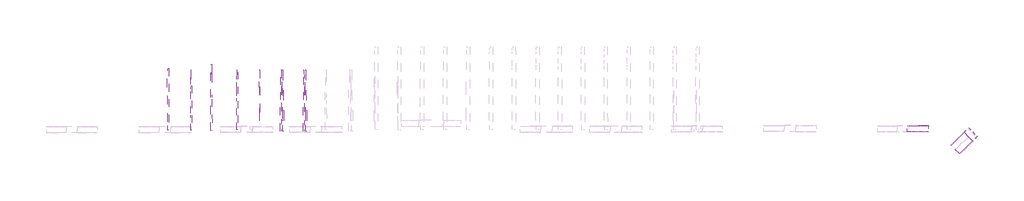
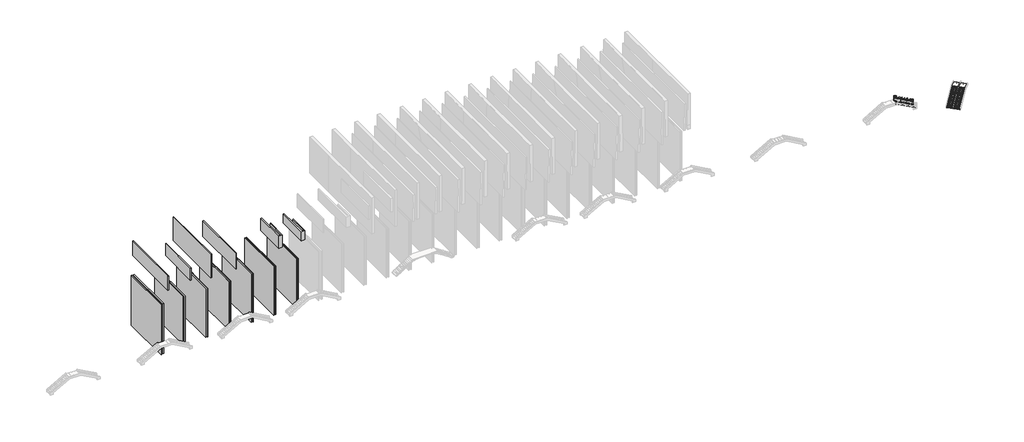
# One storey, part 7 of 9: 7 proxies, 2 stair flights, 1 railing, 1 slab.
"""IFC4 building model written with IfcOpenShell, lengths in millimetres."""

from ifc_helpers import new_model, si_unit, frame, origin, place, context, project, spatial, polyline, circle_curve, ellipse_curve, outline, extrude, faceted_brep, element, save
from ifc_brep_helpers import plane_surface, cylinder_surface, advanced_brep

model = new_model("IFC4")

# Units and contexts
model_context = context("Model", 3, world=origin())
ifc_project = project(units=[si_unit("LENGTHUNIT", "METRE", prefix="MILLI")], contexts=[model_context])

# Site, building, storey
site = spatial("IfcSite", under=ifc_project)
building = spatial("IfcBuilding", under=site)
storey = spatial("IfcBuildingStorey", under=building, Elevation=-6062.0)

# Proxies
placement = place(None, origin())
element("IfcBuildingElementProxy", 1, Name="Massa 1 : Massa 1", ObjectType="Massa 1 : Massa 1", at=placement, inside=storey, context=model_context, shape_type="SolidModel", body=[
    faceted_brep([(-49910.8581548, 102811.8579309, -3119.1914409), (-49947.0212427, 113336.8433855, -3119.1914409), (-49947.0212427, 113336.8433855, 6240.1925419), (-49947.0212427, 113336.8433855, 7747.0), (-49910.8581548, 102811.8579309, 7747.0), (-50001.1918795, 113336.6572591, -3119.1914409), (-50001.1918795, 113336.6572591, 4540.4134367), (-50001.1918795, 113336.6572591, 6240.1925419), (-50001.1918795, 113336.6572591, 7747.0), (-49984.0342196, 108343.0537889, -3119.1914409), (-49982.9166281, 108017.7874781, -3119.1914409), (-49966.1543509, 103139.2570534, -3119.1914409), (-49965.0287917, 102811.6718045, -3119.1914409), (-49965.0287917, 102811.6718045, -51.7165836), (-49965.0287917, 102811.6718045, 7747.0)], [[[0, 1, 2, 3, 4]], [[1, 5, 6, 7, 8, 3, 2]], [[5, 9, 10, 11, 12, 13, 14, 8, 7, 6]], [[12, 0, 4, 14, 13]], [[4, 3, 8, 14]], [[0, 12, 11, 10, 9, 5, 1]]]),
    faceted_brep([(-50310.8557937, 102810.483568, -3119.1914409), (-50260.9695749, 102810.6549734, -3119.1914409), (-50260.9695749, 102810.6549734, -51.7165836), (-50260.9695749, 102810.6549734, 7747.0), (-50310.8557937, 102810.483568, 7747.0), (-50262.0951341, 103138.2402222, -3119.1914409), (-50278.8574113, 108016.770647, -3119.1914409), (-50279.9750028, 108342.0369578, -3119.1914409), (-50297.1326627, 113335.640428, -3119.1914409), (-50297.1326627, 113335.640428, 4540.4134367), (-50297.1326627, 113335.640428, 6240.1925419), (-50297.1326627, 113335.640428, 7747.0), (-50347.0188816, 113335.4690226, -3119.1914409), (-50347.0188816, 113335.4690226, 6240.1925419), (-50347.0188816, 113335.4690226, 7747.0)], [[[0, 1, 2, 3, 4]], [[1, 5, 6, 7, 8, 9, 10, 11, 3, 2]], [[8, 12, 13, 14, 11, 10, 9]], [[12, 0, 4, 14, 13]], [[3, 11, 14, 4]], [[0, 12, 8, 7, 6, 5, 1]]]),
    extrude(outline(polyline([(-49930.1899249, 110029.856335), (-49764.9872475, 110029.856335), (-49764.9872475, 100842.298729), (-49982.1697078, 100842.298729), (-49930.1899249, 110029.856335)])), frame((0.0, 0.0, 12419.6729065), z_axis=(0.0, 0.0, 1.0), x_axis=(1.0, 0.0, 0.0)), (0.0, 0.0, 1.0), 2630.2067674),
])
element("IfcBuildingElementProxy", 2, Name="Massa 2 : Massa 1", ObjectType="Massa 2 : Massa 1", at=placement, inside=storey, context=model_context, shape_type="SolidModel", body=[
    faceted_brep([(-45156.5066396, 102829.7368446, -3119.1914409), (-45140.4907045, 113339.7722228, -3119.1914409), (-45140.4907045, 113339.7722228, 7747.0), (-45156.5066396, 102829.7368446, 7747.0), (-45284.6795824, 113339.991948, -3119.1914409), (-45284.6795824, 113339.991948, 4513.7566762), (-45284.6795824, 113339.991948, 6240.1925419), (-45284.6795824, 113339.991948, 7747.0), (-45292.2663665, 108361.3647823, -3119.1914409), (-45292.7620327, 108036.0969292, -3119.1914409), (-45300.1963176, 103157.543372, -3119.1914409), (-45300.6955175, 102829.9565698, -3119.1914409), (-45300.6955175, 102829.9565698, -51.7165836), (-45300.6955175, 102829.9565698, 7747.0)], [[[0, 1, 2, 3]], [[1, 4, 5, 6, 7, 2]], [[4, 8, 9, 10, 11, 12, 13, 7, 6, 5]], [[11, 0, 3, 13, 12]], [[3, 2, 7, 13]], [[0, 11, 10, 9, 8, 4, 1]]]),
    faceted_brep([(-45646.5241593, 102830.483568, -3119.1914409), (-45596.6377039, 102830.4075475, -3119.1914409), (-45596.6377039, 102830.4075475, -51.7165836), (-45596.6377039, 102830.4075475, 7747.0), (-45646.5241593, 102830.483568, 7747.0), (-45596.138504, 103157.9943496, -3119.1914409), (-45588.7042191, 108036.5479068, -3119.1914409), (-45588.208553, 108361.81576, -3119.1914409), (-45580.6217689, 113340.4429256, -3119.1914409), (-45580.6217689, 113340.4429256, 4513.7566762), (-45580.6217689, 113340.4429256, 6240.1925419), (-45580.6217689, 113340.4429256, 7747.0), (-45630.5082243, 113340.5189461, -3119.1914409), (-45630.5082243, 113340.5189461, 6240.1925419), (-45630.5082243, 113340.5189461, 7747.0)], [[[0, 1, 2, 3, 4]], [[1, 5, 6, 7, 8, 9, 10, 11, 3, 2]], [[8, 12, 13, 14, 11, 10, 9]], [[12, 0, 4, 14, 13]], [[3, 11, 14, 4]], [[0, 12, 8, 7, 6, 5, 1]]]),
    extrude(outline(polyline([(-45647.9931644, 114482.0164165), (-45537.2234301, 100767.4409965), (-45760.2308622, 100767.4409965), (-45760.2308622, 114482.0164165), (-45647.9931644, 114482.0164165)])), frame((0.0, 0.0, 11518.1054342), z_axis=(0.0, 0.0, 1.0), x_axis=(1.0, 0.0, 0.0)), (0.0, 0.0, 1.0), 5243.3971812),
])
element("IfcBuildingElementProxy", 3, Name="Massa 3 : Massa 1", ObjectType="Massa 3 : Massa 1", at=placement, inside=storey, context=model_context, shape_type="SolidModel", body=[
    faceted_brep([(-40353.6656723, 102832.4701768, -3119.1914409), (-40405.8640548, 113342.388135, -3119.1914409), (-40405.8640548, 113342.388135, 6240.1925419), (-40405.8640548, 113342.388135, 7747.0), (-40353.6656723, 102832.4701768, 7747.0), (-40460.0343433, 113342.1190938, -3119.1914409), (-40460.0343433, 113342.1190938, 4513.7566762), (-40460.0343433, 113342.1190938, 6240.1925419), (-40460.0343433, 113342.1190938, 7747.0), (-40435.3078533, 108363.5475502, -3119.1914409), (-40433.6924015, 108038.283331, -3119.1914409), (-40409.4629298, 103159.7842778, -3119.1914409), (-40407.8359609, 102832.2011355, -3119.1914409), (-40407.8359609, 102832.2011355, -51.7165836), (-40407.8359609, 102832.2011355, 7747.0)], [[[0, 1, 2, 3, 4]], [[1, 5, 6, 7, 8, 3, 2]], [[5, 9, 10, 11, 12, 13, 14, 8, 7, 6]], [[12, 0, 4, 14, 13]], [[4, 3, 8, 14]], [[0, 12, 11, 10, 9, 5, 1]]]),
    faceted_brep([(-40753.660739, 102830.483568, -3119.1914409), (-40703.774841, 102830.7313304, -3119.1914409), (-40703.774841, 102830.7313304, -51.7165836), (-40703.774841, 102830.7313304, 7747.0), (-40753.660739, 102830.483568, 7747.0), (-40705.4018099, 103158.3144727, -3119.1914409), (-40729.6312816, 108036.8135259, -3119.1914409), (-40731.2467334, 108362.0777451, -3119.1914409), (-40755.9732235, 113340.6492887, -3119.1914409), (-40755.9732235, 113340.6492887, 4513.7566762), (-40755.9732235, 113340.6492887, 6240.1925419), (-40755.9732235, 113340.6492887, 7747.0), (-40805.8591215, 113340.4015262, -3119.1914409), (-40805.8591215, 113340.4015262, 6240.1925419), (-40805.8591215, 113340.4015262, 7747.0)], [[[0, 1, 2, 3, 4]], [[1, 5, 6, 7, 8, 9, 10, 11, 3, 2]], [[8, 12, 13, 14, 11, 10, 9]], [[12, 0, 4, 14, 13]], [[3, 11, 14, 4]], [[0, 12, 8, 7, 6, 5, 1]]]),
    extrude(outline(polyline([(-40393.1167895, 112886.0222739), (-40226.9371794, 112886.0222739), (-40226.9371794, 100894.4198622), (-40420.3450647, 100894.4198622), (-40393.1167895, 112886.0222739)])), frame((0.0, 0.0, 11518.1054342), z_axis=(0.0, 0.0, 1.0), x_axis=(1.0, 0.0, 0.0)), (0.0, 0.0, 1.0), 3531.7742398),
])
element("IfcBuildingElementProxy", 4, Name="Massa 36 : Massa 1", ObjectType="Massa 36 : Massa 1", at=placement, inside=storey, context=model_context, shape_type="SolidModel", body=[
    faceted_brep([(-54611.534448, 102610.1396535, -3360.9961628), (-54648.3227866, 113317.0994783, -3360.9961628), (-54648.3227866, 113317.0994783, 7747.0), (-54611.534448, 102610.1396535, 7747.0), (-54805.7644678, 113316.55852, -3360.9961628), (-54805.7644678, 113316.55852, 4512.4184368), (-54805.7644678, 113316.55852, 6240.1925419), (-54805.7644678, 113316.55852, 7747.0), (-54768.9761292, 102609.5986953, -3360.9961628), (-54768.9761292, 102609.5986953, 7747.0)], [[[0, 1, 2, 3]], [[1, 4, 5, 6, 7, 2]], [[4, 8, 9, 7, 6, 5]], [[8, 0, 3, 9]], [[3, 2, 7, 9]], [[0, 8, 4, 1]]]),
    faceted_brep([(-55199.3613567, 102524.0473785, -3399.7582557), (-55064.6280486, 102524.5103124, -3399.7582557), (-55064.6280486, 102524.5103124, 7747.0), (-55199.3613567, 102524.0473785, 7747.0), (-55101.7050196, 113315.4743365, -3399.7582557), (-55101.7050196, 113315.4743365, 4512.4184368), (-55101.7050196, 113315.4743365, 6240.1925419), (-55101.7050196, 113315.4743365, 7747.0), (-55236.4383277, 113315.0114026, -3399.7582557), (-55236.4383277, 113315.0114026, 7747.0)], [[[0, 1, 2, 3]], [[1, 4, 5, 6, 7, 2]], [[4, 8, 9, 7, 6, 5]], [[8, 0, 3, 9]], [[2, 7, 9, 3]], [[0, 8, 4, 1]]]),
    extrude(outline(polyline([(-54712.4718093, 113670.0671316), (-54567.2688118, 113670.1802824), (-54569.6288936, 100842.298729), (-54766.811674, 100842.1855783), (-54712.4718093, 113670.0671316)])), frame((0.0, 0.0, 11855.2963019), z_axis=(0.0, 0.0, 1.0), x_axis=(1.0, 0.0, 0.0)), (0.0, 0.0, 1.0), 3194.583372),
])
element("IfcBuildingElementProxy", 5, Name="Massa 4 : Massa 1", ObjectType="Massa 4 : Massa 1", at=placement, inside=storey, context=model_context, shape_type="Brep", body=[
    faceted_brep([(-35611.3930585, 102833.3646361, -3119.1914409), (-35655.4732315, 113343.3197787, -3119.1914409), (-35655.4732315, 113343.3197787, 6240.1925419), (-35655.4732315, 113343.3197787, 7747.0), (-35611.3930585, 102833.3646361, 7747.0), (-35709.6437117, 113343.0925804, -3119.1914409), (-35709.6437117, 113343.0925804, 4533.7566762), (-35709.6437117, 113343.0925804, 6240.1925419), (-35709.6437117, 113343.0925804, 7747.0), (-35688.7628356, 108364.5034225, -3119.1914409), (-35687.4615401, 108054.2379206, -3119.1914409), (-35666.9374715, 103160.7217391, -3119.1914409), (-35665.5635387, 102833.1374378, -3119.1914409), (-35665.5635387, 102833.1374378, -51.7165836), (-35665.5635387, 102833.1374378, 7747.0)], [[[0, 1, 2, 3, 4]], [[1, 5, 6, 7, 8, 3, 2]], [[5, 9, 10, 11, 12, 13, 14, 8, 7, 6]], [[12, 0, 4, 14, 13]], [[4, 3, 8, 14]], [[0, 12, 11, 10, 9, 5, 1]]]),
    faceted_brep([(-36011.3895404, 102831.6869968, -3119.1914409), (-35961.5034658, 102831.8962257, -3119.1914409), (-35961.5034658, 102831.8962257, -51.7165836), (-35961.5034658, 102831.8962257, 7747.0), (-36011.3895404, 102831.6869968, 7747.0), (-35962.8773987, 103159.480527, -3119.1914409), (-35983.4014673, 108052.9967085, -3119.1914409), (-35984.7027628, 108363.2622104, -3119.1914409), (-36005.5836389, 113341.8513683, -3119.1914409), (-36005.5836389, 113341.8513683, 4533.7566762), (-36005.5836389, 113341.8513683, 6240.1925419), (-36005.5836389, 113341.8513683, 7747.0), (-36055.4697134, 113341.6421393, -3119.1914409), (-36055.4697134, 113341.6421393, 6240.1925419), (-36055.4697134, 113341.6421393, 7747.0)], [[[0, 1, 2, 3, 4]], [[1, 5, 6, 7, 8, 9, 10, 11, 3, 2]], [[8, 12, 13, 14, 11, 10, 9]], [[12, 0, 4, 14, 13]], [[3, 11, 14, 4]], [[0, 12, 8, 7, 6, 5, 1]]]),
])
element("IfcBuildingElementProxy", 6, Name="Massa 5 : Massa 1", ObjectType="Massa 5 : Massa 1", at=placement, inside=storey, context=model_context, shape_type="SolidModel", body=[
    faceted_brep([(-30793.3347559, 102817.9985369, -3119.1914409), (-30828.4523827, 113348.3424649, -3119.1914409), (-30828.4523827, 113348.3424649, 7747.0), (-30793.3347559, 102817.9985369, 7747.0), (-30930.7271669, 113348.0013889, -3119.1914409), (-30930.7271669, 113348.0013889, 4533.7566762), (-30930.7271669, 113348.0013889, 6240.1925419), (-30930.7271669, 113348.0013889, 7747.0), (-30914.1240244, 108369.3961274, -3119.1914409), (-30913.0893171, 108059.129622, -3119.1914409), (-30896.7698852, 103165.597612, -3119.1914409), (-30895.6774213, 102838.0122511, -3119.1914409), (-30895.6095401, 102817.6574609, -3119.1914409), (-30895.6095401, 102817.6574609, 7747.0)], [[[0, 1, 2, 3]], [[1, 4, 5, 6, 7, 2]], [[4, 8, 9, 10, 11, 12, 13, 7, 6, 5]], [[12, 0, 3, 13]], [[3, 2, 7, 13]], [[0, 12, 11, 10, 9, 8, 4, 1]]]),
    faceted_brep([(-31293.2371873, 102809.143304, -3119.1914409), (-31191.5264532, 102809.482499, -3119.1914409), (-31191.5264532, 102809.482499, 7747.0), (-31293.2371873, 102809.143304, 7747.0), (-31191.6183057, 102837.0253184, -3119.1914409), (-31192.7107696, 103164.6106793, -3119.1914409), (-31209.0302015, 108058.1426892, -3119.1914409), (-31210.0649088, 108368.4091947, -3119.1914409), (-31226.6680513, 113347.0144561, -3119.1914409), (-31226.6680513, 113347.0144561, 4533.7566762), (-31226.6680513, 113347.0144561, 6240.1925419), (-31226.6680513, 113347.0144561, 7747.0), (-31328.3787855, 113346.6752612, -3119.1914409), (-31328.3787855, 113346.6752612, 7747.0)], [[[0, 1, 2, 3]], [[1, 4, 5, 6, 7, 8, 9, 10, 11, 2]], [[8, 12, 13, 11, 10, 9]], [[12, 0, 3, 13]], [[2, 11, 13, 3]], [[0, 12, 8, 7, 6, 5, 4, 1]]]),
    extrude(outline(polyline([(-30873.2851083, 100948.7059945), (-30800.4996061, 104925.4411601), (-30677.038729, 104925.4411601), (-30677.038729, 100654.5352994), (-31429.4173941, 100654.5352994), (-31429.4173941, 107185.332342), (-31283.7637002, 107185.332342), (-31144.7306287, 100948.7059945), (-30873.2851083, 100948.7059945)])), frame((0.0, 0.0, 13187.9550019), z_axis=(0.0, 0.0, 1.0), x_axis=(1.0, 0.0, 0.0)), (0.0, 0.0, 1.0), 2742.8095085),
])
element("IfcBuildingElementProxy", 7, Name="Massa 6 : Massa 1", ObjectType="Massa 6 : Massa 1", at=placement, inside=storey, context=model_context, shape_type="SolidModel", body=[
    faceted_brep([(-26025.3656828, 102827.9985369, -3119.1914409), (-26060.4833096, 113358.3424649, -3119.1914409), (-26060.4833096, 113358.3424649, 7747.0), (-26025.3656828, 102827.9985369, 7747.0), (-26162.7580938, 113358.0013889, -3119.1914409), (-26162.7580938, 113358.0013889, 4533.7566762), (-26162.7580938, 113358.0013889, 6240.1925419), (-26162.7580938, 113358.0013889, 7747.0), (-26146.2216488, 108399.3960162, -3119.1914409), (-26145.120244, 108069.129622, -3119.1914409), (-26128.7341145, 103155.5977233, -3119.1914409), (-26127.7083482, 102848.0122511, -3119.1914409), (-26127.640467, 102827.6574609, -3119.1914409), (-26127.640467, 102827.6574609, 7747.0)], [[[0, 1, 2, 3]], [[1, 4, 5, 6, 7, 2]], [[4, 8, 9, 10, 11, 12, 13, 7, 6, 5]], [[12, 0, 3, 13]], [[3, 2, 7, 13]], [[0, 12, 11, 10, 9, 8, 4, 1]]]),
    faceted_brep([(-26525.2681142, 102819.143304, -3119.1914409), (-26423.5573801, 102819.482499, -3119.1914409), (-26423.5573801, 102819.482499, 7747.0), (-26525.2681142, 102819.143304, 7747.0), (-26423.6492326, 102847.0253184, -3119.1914409), (-26424.6749989, 103154.6107905, -3119.1914409), (-26441.0611284, 108068.1426892, -3119.1914409), (-26442.1625333, 108398.4090835, -3119.1914409), (-26458.6989782, 113357.0144562, -3119.1914409), (-26458.6989782, 113357.0144561, 4533.7566762), (-26458.6989782, 113357.0144561, 6240.1925419), (-26458.6989782, 113357.0144561, 7747.0), (-26560.4097123, 113356.6752612, -3119.1914409), (-26560.4097123, 113356.6752612, 7747.0)], [[[0, 1, 2, 3]], [[1, 4, 5, 6, 7, 8, 9, 10, 11, 2]], [[8, 12, 13, 11, 10, 9]], [[12, 0, 3, 13]], [[2, 11, 13, 3]], [[0, 12, 8, 7, 6, 5, 4, 1]]]),
    extrude(outline(polyline([(-26105.3160352, 100958.7059945), (-26032.530533, 104935.4411601), (-25909.0696559, 104935.4411601), (-25909.0696559, 100664.5352994), (-26661.448321, 100664.5352994), (-26661.448321, 107195.332342), (-26498.7238967, 107194.7551094), (-26406.7562468, 100958.2449512), (-26105.3160352, 100958.7059945)])), frame((0.0, 0.0, 13187.9550019), z_axis=(0.0, 0.0, 1.0), x_axis=(1.0, 0.0, 0.0)), (0.0, 0.0, 1.0), 2000.0),
])

# Railing
element("IfcRailing", 8, at=placement, inside=storey, context=model_context, shape_type="AdvancedBrep", body=[
    advanced_brep(
    [(103184.5759405, 101764.0442513, -1291.158695), (103184.5759405, 101724.0442513, -1291.158695), (99022.5747166, 101764.0442513, 966.8465666), (99022.5747166, 101724.0442513, 966.8465666)],
    [
        (0, 1, ellipse_curve(frame((103184.5759405, 101744.0442513, -1291.158695), z_axis=(1.0, 0.0, 0.0), x_axis=(0.0, 0.0, -1.0)), 22.7537903, 20.0)),
        (1, 0, ellipse_curve(frame((103184.5759405, 101744.0442513, -1291.158695), z_axis=(1.0, 0.0, 0.0), x_axis=(0.0, 0.0, -1.0)), 22.7537903, 20.0)),
        (2, 3, ellipse_curve(frame((99022.5747166, 101744.0442513, 966.8465666), z_axis=(-1.0, 0.0, 0.0), x_axis=(0.0, 0.0, -1.0)), 22.7537903, 20.0)),
        (3, 2, ellipse_curve(frame((99022.5747166, 101744.0442513, 966.8465666), z_axis=(-1.0, 0.0, 0.0), x_axis=(0.0, 0.0, -1.0)), 22.7537903, 20.0)),
        (0, 2),
        (3, 1),
    ],
    [
        plane_surface(frame((103184.5759405, 101744.0442513, -1268.4049048), z_axis=(1.0, 0.0, 0.0), x_axis=(0.0, -1.0, 0.0))),
        plane_surface(frame((99022.5747166, 101744.0442513, 989.6003569), z_axis=(-1.0, 0.0, 0.0), x_axis=(0.0, -1.0, 0.0))),
        cylinder_surface(frame((103175.0385627, 101744.0442513, -1285.9843935), z_axis=(0.8789744373912164, 0.0, -0.4768688901708673), x_axis=(0.0, -1.0, 0.0)), 20.0),
    ],
    [
        (0, [[1, 2]]),
        (1, [[3, 4]]),
        (2, [[-1, 5, -4, 6]]),
        (2, [[-2, -6, -3, -5]]),
    ],
),
    advanced_brep(
    [(103184.5759405, 101724.0442513, -1551.158695), (103184.5759405, 101764.0442513, -1551.158695), (99022.5747166, 101724.0442513, 706.8465666), (99022.5747166, 101764.0442513, 706.8465666)],
    [
        (0, 1, ellipse_curve(frame((103184.5759405, 101744.0442513, -1551.158695), z_axis=(1.0, 0.0, 0.0), x_axis=(0.0, 0.0, -1.0)), 22.7537903, 20.0)),
        (1, 0, ellipse_curve(frame((103184.5759405, 101744.0442513, -1551.158695), z_axis=(1.0, 0.0, 0.0), x_axis=(0.0, 0.0, -1.0)), 22.7537903, 20.0)),
        (2, 3, ellipse_curve(frame((99022.5747166, 101744.0442513, 706.8465666), z_axis=(-1.0, 0.0, 0.0), x_axis=(0.0, 0.0, -1.0)), 22.7537903, 20.0)),
        (3, 2, ellipse_curve(frame((99022.5747166, 101744.0442513, 706.8465666), z_axis=(-1.0, 0.0, 0.0), x_axis=(0.0, 0.0, -1.0)), 22.7537903, 20.0)),
        (0, 2),
        (3, 1),
    ],
    [
        plane_surface(frame((103184.5759405, 101744.0442513, -1528.4049048), z_axis=(1.0, 0.0, 0.0), x_axis=(0.0, -1.0, 0.0))),
        plane_surface(frame((99022.5747166, 101744.0442513, 729.6003569), z_axis=(-1.0, 0.0, 0.0), x_axis=(0.0, -1.0, 0.0))),
        cylinder_surface(frame((103175.0385627, 101744.0442513, -1545.9843935), z_axis=(0.8789744373912164, 0.0, -0.4768688901708673), x_axis=(0.0, 1.0, 0.0)), 20.0),
    ],
    [
        (0, [[1, 2]]),
        (1, [[3, 4]]),
        (2, [[-1, 5, -4, 6]]),
        (2, [[-2, -6, -3, -5]]),
    ],
),
    advanced_brep(
    [(103184.5759405, 101724.0442513, -1791.158695), (103184.5759405, 101764.0442513, -1791.158695), (99022.5747166, 101724.0442513, 466.8465666), (99022.5747166, 101764.0442513, 466.8465666)],
    [
        (0, 1, ellipse_curve(frame((103184.5759405, 101744.0442513, -1791.158695), z_axis=(1.0, 0.0, 0.0), x_axis=(0.0, 0.0, -1.0)), 22.7537903, 20.0)),
        (1, 0, ellipse_curve(frame((103184.5759405, 101744.0442513, -1791.158695), z_axis=(1.0, 0.0, 0.0), x_axis=(0.0, 0.0, -1.0)), 22.7537903, 20.0)),
        (2, 3, ellipse_curve(frame((99022.5747166, 101744.0442513, 466.8465666), z_axis=(-1.0, 0.0, 0.0), x_axis=(0.0, 0.0, -1.0)), 22.7537903, 20.0)),
        (3, 2, ellipse_curve(frame((99022.5747166, 101744.0442513, 466.8465666), z_axis=(-1.0, 0.0, 0.0), x_axis=(0.0, 0.0, -1.0)), 22.7537903, 20.0)),
        (0, 2),
        (3, 1),
    ],
    [
        plane_surface(frame((103184.5759405, 101744.0442513, -1768.4049048), z_axis=(1.0, 0.0, 0.0), x_axis=(0.0, -1.0, 0.0))),
        plane_surface(frame((99022.5747166, 101744.0442513, 489.6003569), z_axis=(-1.0, 0.0, 0.0), x_axis=(0.0, -1.0, 0.0))),
        cylinder_surface(frame((103175.0385627, 101744.0442513, -1785.9843935), z_axis=(0.8789744373912164, 0.0, -0.4768688901708673), x_axis=(0.0, 1.0, 0.0)), 20.0),
    ],
    [
        (0, [[1, 2]]),
        (1, [[3, 4]]),
        (2, [[-1, 5, -4, 6]]),
        (2, [[-2, -6, -3, -5]]),
    ],
),
    advanced_brep(
    [(99194.5759405, 101756.7442513, 850.7771699), (99194.5759405, 101756.7442513, -183.7152496), (99194.5759405, 101731.3442513, -183.7152496), (99194.5759405, 101731.3442513, 850.7771699)],
    [
        (0, 1),
        (1, 2, circle_curve(frame((99194.5759405, 101744.0442513, -183.7152496), z_axis=(0.0, 0.0, 1.0), x_axis=(0.0, -1.0, 0.0)), 12.7)),
        (2, 3),
        (3, 0, ellipse_curve(frame((99194.5759405, 101744.0442513, 850.7771699), z_axis=(-0.476868890170866, 0.0, -0.8789744373912171), x_axis=(-0.878974437391217, 0.0, 0.47686889017086603)), 14.4486568, 12.7)),
        (0, 3, ellipse_curve(frame((99194.5759405, 101744.0442513, 850.7771699), z_axis=(-0.476868890170866, 0.0, -0.8789744373912171), x_axis=(-0.878974437391217, 0.0, 0.47686889017086603)), 14.4486568, 12.7)),
        (2, 1, circle_curve(frame((99194.5759405, 101744.0442513, -183.7152496), z_axis=(0.0, 0.0, 1.0), x_axis=(0.0, -1.0, 0.0)), 12.7)),
    ],
    [
        cylinder_surface(frame((99194.5759405, 101744.0442513, -412.3152496), z_axis=(0.0, 0.0, 1.0), x_axis=(0.0, -1.0, 0.0)), 12.7),
        plane_surface(frame((99169.1759405, 101718.6442513, 864.5573997), z_axis=(0.476868890170866, 0.0, 0.8789744373912171), x_axis=(0.0, 1.0, 0.0))),
        plane_surface(frame((99219.9759405, 101718.6442513, -183.7152496), z_axis=(0.0, 0.0, -1.0), x_axis=(0.0, 1.0, 0.0))),
    ],
    [
        (0, [[1, 2, 3, 4]]),
        (0, [[-1, 5, -3, 6]]),
        (1, [[-4, -5]]),
        (2, [[-2, -6]]),
    ],
),
    advanced_brep(
    [(100524.5759405, 101756.7442513, 129.2139515), (100524.5759405, 101756.7442513, -905.278468), (100524.5759405, 101731.3442513, -905.278468), (100524.5759405, 101731.3442513, 129.2139515)],
    [
        (0, 1),
        (1, 2, circle_curve(frame((100524.5759405, 101744.0442513, -905.278468), z_axis=(0.0, 0.0, 1.0), x_axis=(0.0, -1.0, 0.0)), 12.7)),
        (2, 3),
        (3, 0, ellipse_curve(frame((100524.5759405, 101744.0442513, 129.2139515), z_axis=(-0.476868890170866, 0.0, -0.8789744373912171), x_axis=(-0.878974437391217, 0.0, 0.47686889017086603)), 14.4486568, 12.7)),
        (0, 3, ellipse_curve(frame((100524.5759405, 101744.0442513, 129.2139515), z_axis=(-0.476868890170866, 0.0, -0.8789744373912171), x_axis=(-0.878974437391217, 0.0, 0.47686889017086603)), 14.4486568, 12.7)),
        (2, 1, circle_curve(frame((100524.5759405, 101744.0442513, -905.278468), z_axis=(0.0, 0.0, 1.0), x_axis=(0.0, -1.0, 0.0)), 12.7)),
    ],
    [
        cylinder_surface(frame((100524.5759405, 101744.0442513, -1133.878468), z_axis=(0.0, 0.0, 1.0), x_axis=(0.0, -1.0, 0.0)), 12.7),
        plane_surface(frame((100499.1759405, 101718.6442513, 142.9941814), z_axis=(0.476868890170866, 0.0, 0.8789744373912171), x_axis=(0.0, 1.0, 0.0))),
        plane_surface(frame((100549.9759405, 101718.6442513, -905.278468), z_axis=(0.0, 0.0, -1.0), x_axis=(0.0, 1.0, 0.0))),
    ],
    [
        (0, [[1, 2, 3, 4]]),
        (0, [[-1, 5, -3, 6]]),
        (1, [[-4, -5]]),
        (2, [[-2, -6]]),
    ],
),
    advanced_brep(
    [(101854.5759405, 101756.7442513, -592.3492669), (101854.5759405, 101756.7442513, -1626.8416864), (101854.5759405, 101731.3442513, -1626.8416864), (101854.5759405, 101731.3442513, -592.3492669)],
    [
        (0, 1),
        (1, 2, circle_curve(frame((101854.5759405, 101744.0442513, -1626.8416864), z_axis=(0.0, 0.0, 1.0), x_axis=(0.0, -1.0, 0.0)), 12.7)),
        (2, 3),
        (3, 0, ellipse_curve(frame((101854.5759405, 101744.0442513, -592.3492669), z_axis=(-0.476868890170866, 0.0, -0.8789744373912171), x_axis=(-0.878974437391217, 0.0, 0.47686889017086603)), 14.4486568, 12.7)),
        (0, 3, ellipse_curve(frame((101854.5759405, 101744.0442513, -592.3492669), z_axis=(-0.476868890170866, 0.0, -0.8789744373912171), x_axis=(-0.878974437391217, 0.0, 0.47686889017086603)), 14.4486568, 12.7)),
        (2, 1, circle_curve(frame((101854.5759405, 101744.0442513, -1626.8416864), z_axis=(0.0, 0.0, 1.0), x_axis=(0.0, -1.0, 0.0)), 12.7)),
    ],
    [
        cylinder_surface(frame((101854.5759405, 101744.0442513, -1855.4416864), z_axis=(0.0, 0.0, 1.0), x_axis=(0.0, -1.0, 0.0)), 12.7),
        plane_surface(frame((101829.1759405, 101718.6442513, -578.569037), z_axis=(0.476868890170866, 0.0, 0.8789744373912171), x_axis=(0.0, 1.0, 0.0))),
        plane_surface(frame((101879.9759405, 101718.6442513, -1626.8416864), z_axis=(0.0, 0.0, -1.0), x_axis=(0.0, 1.0, 0.0))),
    ],
    [
        (0, [[1, 2, 3, 4]]),
        (0, [[-1, 5, -3, 6]]),
        (1, [[-4, -5]]),
        (2, [[-2, -6]]),
    ],
),
    advanced_brep(
    [(99035.0747166, 101756.5442513, 937.3111672), (99035.0747166, 101756.5442513, -97.1812523), (99035.0747166, 101731.5442513, -97.1812523), (99035.0747166, 101731.5442513, 937.3111672)],
    [
        (0, 1),
        (1, 2, circle_curve(frame((99035.0747166, 101744.0442513, -97.1812523), z_axis=(0.0, 0.0, 1.0), x_axis=(0.0, -1.0, 0.0)), 12.5)),
        (2, 3),
        (3, 0, ellipse_curve(frame((99035.0747166, 101744.0442513, 937.3111672), z_axis=(-0.47686889017086737, 0.0, -0.8789744373912164), x_axis=(-0.8789744373912166, 0.0, 0.47686889017086714)), 14.2211189, 12.5)),
        (0, 3, ellipse_curve(frame((99035.0747166, 101744.0442513, 937.3111672), z_axis=(-0.47686889017086737, 0.0, -0.8789744373912164), x_axis=(-0.8789744373912166, 0.0, 0.47686889017086714)), 14.2211189, 12.5)),
        (2, 1, circle_curve(frame((99035.0747166, 101744.0442513, -97.1812523), z_axis=(0.0, 0.0, 1.0), x_axis=(0.0, -1.0, 0.0)), 12.5)),
    ],
    [
        cylinder_surface(frame((99035.0747166, 101744.0442513, -197.1812523), z_axis=(0.0, 0.0, 1.0), x_axis=(0.0, -1.0, 0.0)), 12.5),
        plane_surface(frame((99010.0747166, 101719.0442513, 950.8743856), z_axis=(0.47686889017086737, 0.0, 0.8789744373912164), x_axis=(0.0, 1.0, 0.0))),
        plane_surface(frame((99060.0747166, 101719.0442513, -97.1812523), z_axis=(0.0, 0.0, -1.0), x_axis=(0.0, 1.0, 0.0))),
    ],
    [
        (0, [[1, 2, 3, 4]]),
        (0, [[-1, 5, -3, 6]]),
        (1, [[-4, -5]]),
        (2, [[-2, -6]]),
    ],
),
    advanced_brep(
    [(103172.0759405, 101756.5442513, -1307.1308761), (103172.0759405, 101756.5442513, -2341.6232956), (103172.0759405, 101731.5442513, -2341.6232956), (103172.0759405, 101731.5442513, -1307.1308761)],
    [
        (0, 1),
        (1, 2, circle_curve(frame((103172.0759405, 101744.0442513, -2341.6232956), z_axis=(0.0, 0.0, 1.0), x_axis=(0.0, -1.0, 0.0)), 12.5)),
        (2, 3),
        (3, 0, ellipse_curve(frame((103172.0759405, 101744.0442513, -1307.1308761), z_axis=(-0.47686889017086737, 0.0, -0.8789744373912164), x_axis=(-0.8789744373912166, 0.0, 0.47686889017086714)), 14.2211189, 12.5)),
        (0, 3, ellipse_curve(frame((103172.0759405, 101744.0442513, -1307.1308761), z_axis=(-0.47686889017086737, 0.0, -0.8789744373912164), x_axis=(-0.8789744373912166, 0.0, 0.47686889017086714)), 14.2211189, 12.5)),
        (2, 1, circle_curve(frame((103172.0759405, 101744.0442513, -2341.6232956), z_axis=(0.0, 0.0, 1.0), x_axis=(0.0, -1.0, 0.0)), 12.5)),
    ],
    [
        cylinder_surface(frame((103172.0759405, 101744.0442513, -2441.6232956), z_axis=(0.0, 0.0, 1.0), x_axis=(0.0, -1.0, 0.0)), 12.5),
        plane_surface(frame((103147.0759405, 101719.0442513, -1293.5676577), z_axis=(0.47686889017086737, 0.0, 0.8789744373912164), x_axis=(0.0, 1.0, 0.0))),
        plane_surface(frame((103197.0759405, 101719.0442513, -2341.6232956), z_axis=(0.0, 0.0, -1.0), x_axis=(0.0, 1.0, 0.0))),
    ],
    [
        (0, [[1, 2, 3, 4]]),
        (0, [[-1, 5, -3, 6]]),
        (1, [[-4, -5]]),
        (2, [[-2, -6]]),
    ],
),
])

# Slab
element("IfcSlab", 9, at=placement, inside=storey, context=model_context, shape_type="AdvancedBrep", body=[
    advanced_brep(
    [(110550.6246366, 100358.5773111, 0.875), (112323.0539002, 98586.1480475, 0.875), (112337.1960359, 98600.2901831, 0.875), (113265.4510436, 99528.5451908, 0.875), (111492.2705573, 101300.2232319, 0.875), (110564.7667722, 100372.7194467, 0.875), (110550.6246366, 100358.5773111, -184.8392857), (111492.2705573, 101300.2232319, -19.125), (110564.7667722, 100372.7194467, -19.125), (110564.7667722, 100372.7194467, -184.8392857), (112323.0539002, 98586.1480475, -184.8392857), (112337.1960359, 98600.2901831, -184.8392857), (112337.1960359, 98600.2901831, -19.125), (113265.4510436, 99528.5451908, -19.125)],
    [
        (0, 1),
        (1, 2),
        (2, 3),
        (3, 4, circle_curve(frame((109663.9246355, 97697.1456852, 0.875), z_axis=(0.0, 0.0, 1.0), x_axis=(1.0, 0.0, 0.0)), 4040.4228265)),
        (4, 5),
        (5, 0),
        (6, 0),
        (4, 7),
        (7, 8),
        (8, 9),
        (9, 6),
        (1, 10),
        (10, 11),
        (11, 12),
        (12, 13),
        (13, 3),
        (13, 7, circle_curve(frame((109663.9246355, 97697.1456852, -19.125), z_axis=(0.0, 0.0, 1.0), x_axis=(1.0, 0.0, 0.0)), 4040.4228265)),
        (6, 10),
        (12, 8),
        (9, 11),
    ],
    [
        plane_surface(frame((110550.6246366, 100358.5773111, 0.875), z_axis=(0.0, 0.0, 1.0000000000000002), x_axis=(0.7071067811865476, -0.7071067811865476, 0.0))),
        plane_surface(frame((111492.2705573, 101300.2232319, 0.875), z_axis=(-0.7071067811865476, 0.7071067811865476, 0.0), x_axis=(0.0, 0.0, -1.0))),
        plane_surface(frame((112323.0539002, 98586.1480475, 0.875), z_axis=(0.7071067811865476, -0.7071067811865476, 0.0), x_axis=(0.0, 0.0, -1.0))),
        cylinder_surface(frame((109663.9246355, 97697.1456852, -827.6964286), z_axis=(0.0, 0.0, 1.0), x_axis=(1.0, 0.0, 0.0)), 4040.4228265),
        plane_surface(frame((110550.6246366, 100358.5773111, 0.875), z_axis=(-0.7071067811865476, -0.7071067811865476, 0.0), x_axis=(0.0, 0.0, -1.0))),
        plane_surface(frame((110564.7667722, 100372.7194467, -19.125), z_axis=(0.0, 0.0, -1.0000000000000002), x_axis=(-0.7071067811865476, 0.7071067811865476, 0.0))),
        plane_surface(frame((107669.87161, 97477.8242846, -184.8392857), z_axis=(0.0, 0.0, -1.0000000000000002), x_axis=(0.7071067811865476, 0.7071067811865476, 0.0))),
        plane_surface(frame((112337.1960359, 98600.2901831, 166.5892857), z_axis=(0.7071067811865476, 0.7071067811865476, 0.0), x_axis=(0.0, 0.0, -1.0))),
    ],
    [
        (0, [[1, 2, 3, 4, 5, 6]]),
        (1, [[7, -6, -5, 8, 9, 10, 11]]),
        (2, [[12, 13, 14, 15, 16, -3, -2]]),
        (3, [[-4, -16, 17, -8]]),
        (4, [[-1, -7, 18, -12]]),
        (5, [[19, -9, -17, -15]]),
        (6, [[20, -13, -18, -11]]),
        (7, [[-20, -10, -19, -14]]),
    ],
),
])

# Stair flights
element("IfcStairFlight", 10, ObjectType="Rampa_Acciaio_2cm", at=placement, inside=storey, context=model_context, shape_type="Brep", body=[
    faceted_brep([(102808.657472, 100462.5932514, -2201.7916667), (103098.657472, 100462.5932514, -2201.7916667), (103098.657472, 101724.0442513, -2201.7916667), (102808.657472, 101724.0442513, -2201.7916667), (102808.657472, 100462.5932514, -2221.7916667), (103078.657472, 100462.5932514, -2221.7916667), (103078.657472, 100462.5932514, -2359.125), (103098.657472, 100462.5932514, -2359.125), (103098.657472, 101724.0442513, -2359.125), (103078.657472, 101724.0442513, -2359.125), (103078.657472, 101724.0442513, -2221.7916667), (102808.657472, 101724.0442513, -2221.7916667), (102518.657472, 100462.5932514, -2044.4583333), (102808.657472, 100462.5932514, -2044.4583333), (102808.657472, 101724.0442513, -2044.4583333), (102518.657472, 101724.0442513, -2044.4583333), (102518.657472, 100462.5932514, -2064.4583333), (102788.657472, 100462.5932514, -2064.4583333), (102788.657472, 100462.5932514, -2221.7916667), (102788.657472, 101724.0442513, -2221.7916667), (102788.657472, 101724.0442513, -2064.4583333), (102518.657472, 101724.0442513, -2064.4583333), (102228.657472, 100462.5932514, -1887.125), (102518.657472, 100462.5932514, -1887.125), (102518.657472, 101724.0442513, -1887.125), (102228.657472, 101724.0442513, -1887.125), (102228.657472, 100462.5932514, -1907.125), (102498.657472, 100462.5932514, -1907.125), (102498.657472, 100462.5932514, -2064.4583333), (102498.657472, 101724.0442513, -2064.4583333), (102498.657472, 101724.0442513, -1907.125), (102228.657472, 101724.0442513, -1907.125), (101938.657472, 100462.5932514, -1729.7916667), (102228.657472, 100462.5932514, -1729.7916667), (102228.657472, 101724.0442513, -1729.7916667), (101938.657472, 101724.0442513, -1729.7916667), (101938.657472, 100462.5932514, -1749.7916667), (102208.657472, 100462.5932514, -1749.7916667), (102208.657472, 100462.5932514, -1907.125), (102208.657472, 101724.0442513, -1907.125), (102208.657472, 101724.0442513, -1749.7916667), (101938.657472, 101724.0442513, -1749.7916667), (101648.657472, 100462.5932514, -1572.4583333), (101938.657472, 100462.5932514, -1572.4583333), (101938.657472, 101724.0442513, -1572.4583333), (101648.657472, 101724.0442513, -1572.4583333), (101648.657472, 100462.5932514, -1592.4583333), (101918.657472, 100462.5932514, -1592.4583333), (101918.657472, 100462.5932514, -1749.7916667), (101918.657472, 101724.0442513, -1749.7916667), (101918.657472, 101724.0442513, -1592.4583333), (101648.657472, 101724.0442513, -1592.4583333), (101358.657472, 100462.5932514, -1415.125), (101648.657472, 100462.5932514, -1415.125), (101648.657472, 101724.0442513, -1415.125), (101358.657472, 101724.0442513, -1415.125), (101358.657472, 100462.5932514, -1435.125), (101628.657472, 100462.5932514, -1435.125), (101628.657472, 100462.5932514, -1592.4583333), (101628.657472, 101724.0442513, -1592.4583333), (101628.657472, 101724.0442513, -1435.125), (101358.657472, 101724.0442513, -1435.125), (101068.657472, 100462.5932514, -1257.7916667), (101358.657472, 100462.5932514, -1257.7916667), (101358.657472, 101724.0442513, -1257.7916667), (101068.657472, 101724.0442513, -1257.7916667), (101068.657472, 100462.5932514, -1277.7916667), (101338.657472, 100462.5932514, -1277.7916667), (101338.657472, 100462.5932514, -1435.125), (101338.657472, 101724.0442513, -1435.125), (101338.657472, 101724.0442513, -1277.7916667), (101068.657472, 101724.0442513, -1277.7916667), (100778.657472, 100462.5932514, -1100.4583333), (101068.657472, 100462.5932514, -1100.4583333), (101068.657472, 101724.0442513, -1100.4583333), (100778.657472, 101724.0442513, -1100.4583333), (100778.657472, 100462.5932514, -1120.4583333), (101048.657472, 100462.5932514, -1120.4583333), (101048.657472, 100462.5932514, -1277.7916667), (101048.657472, 101724.0442513, -1277.7916667), (101048.657472, 101724.0442513, -1120.4583333), (100778.657472, 101724.0442513, -1120.4583333), (100488.657472, 100462.5932514, -943.125), (100778.657472, 100462.5932514, -943.125), (100778.657472, 101724.0442513, -943.125), (100488.657472, 101724.0442513, -943.125), (100488.657472, 100462.5932514, -963.125), (100758.657472, 100462.5932514, -963.125), (100758.657472, 100462.5932514, -1120.4583333), (100758.657472, 101724.0442513, -1120.4583333), (100758.657472, 101724.0442513, -963.125), (100488.657472, 101724.0442513, -963.125), (100198.657472, 100462.5932514, -785.7916667), (100488.657472, 100462.5932514, -785.7916667), (100488.657472, 101724.0442513, -785.7916667), (100198.657472, 101724.0442513, -785.7916667), (100198.657472, 100462.5932514, -805.7916667), (100468.657472, 100462.5932514, -805.7916667), (100468.657472, 100462.5932514, -963.125), (100468.657472, 101724.0442513, -963.125), (100468.657472, 101724.0442513, -805.7916667), (100198.657472, 101724.0442513, -805.7916667), (99908.657472, 100462.5932514, -628.4583333), (100198.657472, 100462.5932514, -628.4583333), (100198.657472, 101724.0442513, -628.4583333), (99908.657472, 101724.0442513, -628.4583333), (99908.657472, 100462.5932514, -648.4583333), (100178.657472, 100462.5932514, -648.4583333), (100178.657472, 100462.5932514, -805.7916667), (100178.657472, 101724.0442513, -805.7916667), (100178.657472, 101724.0442513, -648.4583333), (99908.657472, 101724.0442513, -648.4583333), (99618.657472, 100462.5932514, -471.125), (99908.657472, 100462.5932514, -471.125), (99908.657472, 101724.0442513, -471.125), (99618.657472, 101724.0442513, -471.125), (99618.657472, 100462.5932514, -491.125), (99888.657472, 100462.5932514, -491.125), (99888.657472, 100462.5932514, -648.4583333), (99888.657472, 101724.0442513, -648.4583333), (99888.657472, 101724.0442513, -491.125), (99618.657472, 101724.0442513, -491.125), (99328.657472, 100462.5932514, -313.7916667), (99618.657472, 100462.5932514, -313.7916667), (99618.657472, 101724.0442513, -313.7916667), (99328.657472, 101724.0442513, -313.7916667), (99328.657472, 100462.5932514, -333.7916667), (99598.657472, 100462.5932514, -333.7916667), (99598.657472, 100462.5932514, -491.125), (99598.657472, 101724.0442513, -491.125), (99598.657472, 101724.0442513, -333.7916667), (99328.657472, 101724.0442513, -333.7916667), (99308.657472, 100462.5932514, -333.7916667), (99308.657472, 101724.0442513, -333.7916667), (99308.657472, 100462.5932514, -176.4583333), (99308.657472, 101724.0442513, -176.4583333), (99038.657472, 100462.5932514, -156.4583333), (99328.657472, 100462.5932514, -156.4583333), (99328.657472, 101724.0442513, -156.4583333), (99038.657472, 101724.0442513, -156.4583333), (99038.657472, 100462.5932514, -176.4583333), (99038.657472, 101724.0442513, -176.4583333), (99018.657472, 100462.5932514, -176.4583333), (99018.657472, 101724.0442513, -176.4583333), (99018.657472, 100462.5932514, -19.125), (99018.657472, 101724.0442513, -19.125), (98748.657472, 100462.5932514, 0.875), (99038.657472, 100462.5932514, 0.875), (99038.657472, 101724.0442513, 0.875), (98748.657472, 101724.0442513, 0.875), (98748.657472, 100462.5932514, -19.125), (98748.657472, 101724.0442513, -19.125)], [[[0, 1, 2, 3]], [[1, 0, 4, 5, 6, 7]], [[2, 1, 7, 8]], [[3, 2, 8, 9, 10, 11]], [[12, 13, 14, 15]], [[13, 12, 16, 17, 18, 4, 0]], [[0, 3, 14, 13]], [[15, 14, 3, 11, 19, 20, 21]], [[22, 23, 24, 25]], [[23, 22, 26, 27, 28, 16, 12]], [[12, 15, 24, 23]], [[25, 24, 15, 21, 29, 30, 31]], [[32, 33, 34, 35]], [[33, 32, 36, 37, 38, 26, 22]], [[22, 25, 34, 33]], [[35, 34, 25, 31, 39, 40, 41]], [[42, 43, 44, 45]], [[43, 42, 46, 47, 48, 36, 32]], [[32, 35, 44, 43]], [[45, 44, 35, 41, 49, 50, 51]], [[52, 53, 54, 55]], [[53, 52, 56, 57, 58, 46, 42]], [[42, 45, 54, 53]], [[55, 54, 45, 51, 59, 60, 61]], [[62, 63, 64, 65]], [[63, 62, 66, 67, 68, 56, 52]], [[52, 55, 64, 63]], [[65, 64, 55, 61, 69, 70, 71]], [[72, 73, 74, 75]], [[73, 72, 76, 77, 78, 66, 62]], [[62, 65, 74, 73]], [[75, 74, 65, 71, 79, 80, 81]], [[82, 83, 84, 85]], [[83, 82, 86, 87, 88, 76, 72]], [[72, 75, 84, 83]], [[85, 84, 75, 81, 89, 90, 91]], [[92, 93, 94, 95]], [[93, 92, 96, 97, 98, 86, 82]], [[82, 85, 94, 93]], [[95, 94, 85, 91, 99, 100, 101]], [[102, 103, 104, 105]], [[103, 102, 106, 107, 108, 96, 92]], [[92, 95, 104, 103]], [[105, 104, 95, 101, 109, 110, 111]], [[112, 113, 114, 115]], [[113, 112, 116, 117, 118, 106, 102]], [[102, 105, 114, 113]], [[115, 114, 105, 111, 119, 120, 121]], [[122, 123, 124, 125]], [[123, 122, 126, 127, 128, 116, 112]], [[112, 115, 124, 123]], [[125, 124, 115, 121, 129, 130, 131]], [[8, 7, 6, 9]], [[5, 10, 9, 6]], [[18, 19, 11, 10, 5, 4]], [[19, 18, 17, 20]], [[28, 29, 21, 20, 17, 16]], [[29, 28, 27, 30]], [[38, 39, 31, 30, 27, 26]], [[39, 38, 37, 40]], [[48, 49, 41, 40, 37, 36]], [[49, 48, 47, 50]], [[58, 59, 51, 50, 47, 46]], [[59, 58, 57, 60]], [[68, 69, 61, 60, 57, 56]], [[69, 68, 67, 70]], [[78, 79, 71, 70, 67, 66]], [[79, 78, 77, 80]], [[88, 89, 81, 80, 77, 76]], [[89, 88, 87, 90]], [[98, 99, 91, 90, 87, 86]], [[99, 98, 97, 100]], [[108, 109, 101, 100, 97, 96]], [[109, 108, 107, 110]], [[118, 119, 111, 110, 107, 106]], [[119, 118, 117, 120]], [[128, 129, 121, 120, 117, 116]], [[129, 128, 127, 130]], [[132, 133, 131, 130, 127, 126]], [[133, 132, 134, 135]], [[136, 137, 138, 139]], [[137, 136, 140, 134, 132, 126, 122]], [[122, 125, 138, 137]], [[139, 138, 125, 131, 133, 135, 141]], [[142, 143, 141, 135, 134, 140]], [[143, 142, 144, 145]], [[146, 147, 148, 149]], [[147, 146, 150, 144, 142, 140, 136]], [[136, 139, 148, 147]], [[149, 148, 139, 141, 143, 145, 151]], [[146, 149, 151, 150]], [[145, 144, 150, 151]]]),
])
element("IfcStairFlight", 11, ObjectType="Rampa_Acciaio_2cm", at=placement, inside=storey, context=model_context, shape_type="Brep", body=[
    faceted_brep([(108081.4077567, 97889.3604312, -2153.4107143), (107875.6396833, 97683.5923579, -2153.4107143), (109648.068947, 95911.1630942, -2153.4107143), (109853.8370203, 96116.9311676, -2153.4107143), (109648.068947, 95911.1630942, -2319.125), (109662.2110826, 95925.3052299, -2319.125), (109662.2110826, 95925.3052299, -2173.4107143), (109853.8370203, 96116.9311676, -2173.4107143), (107875.6396833, 97683.5923579, -2319.125), (108081.4077567, 97889.3604312, -2173.4107143), (107889.781819, 97697.7344935, -2173.4107143), (107889.781819, 97697.7344935, -2319.125), (108287.17583, 98095.1285045, -1987.6964286), (108081.4077567, 97889.3604312, -1987.6964286), (109853.8370203, 96116.9311676, -1987.6964286), (110059.6050937, 96322.6992409, -1987.6964286), (109867.9791559, 96131.0733032, -2173.4107143), (109867.9791559, 96131.0733032, -2007.6964286), (110059.6050937, 96322.6992409, -2007.6964286), (108287.17583, 98095.1285045, -2007.6964286), (108095.5498923, 97903.5025668, -2007.6964286), (108095.5498923, 97903.5025668, -2173.4107143), (108492.9439033, 98300.8965779, -1821.9821429), (108287.17583, 98095.1285045, -1821.9821429), (110059.6050937, 96322.6992409, -1821.9821429), (110265.373167, 96528.4673142, -1821.9821429), (110073.7472293, 96336.8413765, -2007.6964286), (110073.7472293, 96336.8413765, -1841.9821429), (110265.373167, 96528.4673142, -1841.9821429), (108492.9439033, 98300.8965779, -1841.9821429), (108301.3179656, 98109.2706402, -1841.9821429), (108301.3179656, 98109.2706402, -2007.6964286), (108698.7119766, 98506.6646512, -1656.2678571), (108492.9439033, 98300.8965779, -1656.2678571), (110265.373167, 96528.4673142, -1656.2678571), (110471.1412403, 96734.2353875, -1656.2678571), (110279.5153026, 96542.6094498, -1841.9821429), (110279.5153026, 96542.6094498, -1676.2678571), (110471.1412403, 96734.2353875, -1676.2678571), (108698.7119766, 98506.6646512, -1676.2678571), (108507.0860389, 98315.0387135, -1676.2678571), (108507.0860389, 98315.0387135, -1841.9821429), (108904.48005, 98712.4327245, -1490.5535714), (108698.7119766, 98506.6646512, -1490.5535714), (110471.1412403, 96734.2353875, -1490.5535714), (110676.9093136, 96940.0034609, -1490.5535714), (110485.2833759, 96748.3775232, -1676.2678571), (110485.2833759, 96748.3775232, -1510.5535714), (110676.9093136, 96940.0034609, -1510.5535714), (108904.48005, 98712.4327245, -1510.5535714), (108712.8541123, 98520.8067868, -1510.5535714), (108712.8541123, 98520.8067868, -1676.2678571), (109110.2481233, 98918.2007978, -1324.8392857), (108904.48005, 98712.4327245, -1324.8392857), (110676.9093136, 96940.0034609, -1324.8392857), (110882.677387, 97145.7715342, -1324.8392857), (110691.0514493, 96954.1455965, -1510.5535714), (110691.0514493, 96954.1455965, -1344.8392857), (110882.677387, 97145.7715342, -1344.8392857), (109110.2481233, 98918.2007978, -1344.8392857), (108918.6221856, 98726.5748601, -1344.8392857), (108918.6221856, 98726.5748601, -1510.5535714), (109316.0161966, 99123.9688712, -1159.125), (109110.2481233, 98918.2007978, -1159.125), (110882.677387, 97145.7715342, -1159.125), (111088.4454603, 97351.5396075, -1159.125), (110896.8195226, 97159.9136698, -1344.8392857), (110896.8195226, 97159.9136698, -1179.125), (111088.4454603, 97351.5396075, -1179.125), (109316.0161966, 99123.9688712, -1179.125), (109124.3902589, 98932.3429335, -1179.125), (109124.3902589, 98932.3429335, -1344.8392857), (109521.7842699, 99329.7369445, -993.4107143), (109316.0161966, 99123.9688712, -993.4107143), (111088.4454603, 97351.5396075, -993.4107143), (111294.2135336, 97557.3076808, -993.4107143), (111102.5875959, 97365.6817431, -1179.125), (111102.5875959, 97365.6817431, -1013.4107143), (111294.2135336, 97557.3076808, -1013.4107143), (109521.7842699, 99329.7369445, -1013.4107143), (109330.1583322, 99138.1110068, -1013.4107143), (109330.1583322, 99138.1110068, -1179.125), (109727.5523433, 99535.5050178, -827.6964286), (109521.7842699, 99329.7369445, -827.6964286), (111294.2135336, 97557.3076808, -827.6964286), (111499.9816069, 97763.0757542, -827.6964286), (111308.3556692, 97571.4498165, -1013.4107143), (111308.3556692, 97571.4498165, -847.6964286), (111499.9816069, 97763.0757542, -847.6964286), (109727.5523433, 99535.5050178, -847.6964286), (109535.9264056, 99343.8790801, -847.6964286), (109535.9264056, 99343.8790801, -1013.4107143), (109933.3204166, 99741.2730911, -661.9821429), (109727.5523433, 99535.5050178, -661.9821429), (111499.9816069, 97763.0757542, -661.9821429), (111705.7496803, 97968.8438275, -661.9821429), (111514.1237426, 97777.2178898, -847.6964286), (111514.1237426, 97777.2178898, -681.9821429), (111705.7496803, 97968.8438275, -681.9821429), (109933.3204166, 99741.2730911, -681.9821429), (109741.6944789, 99549.6471534, -681.9821429), (109741.6944789, 99549.6471534, -847.6964286), (110139.0884899, 99947.0411645, -496.2678571), (109933.3204166, 99741.2730911, -496.2678571), (111705.7496803, 97968.8438275, -496.2678571), (111911.5177536, 98174.6119008, -496.2678571), (111719.8918159, 97982.9859631, -681.9821429), (111719.8918159, 97982.9859631, -516.2678571), (111911.5177536, 98174.6119008, -516.2678571), (110139.0884899, 99947.0411645, -516.2678571), (109947.4625522, 99755.4152268, -516.2678571), (109947.4625522, 99755.4152268, -681.9821429), (110344.8565632, 100152.8092378, -330.5535714), (110139.0884899, 99947.0411645, -330.5535714), (111911.5177536, 98174.6119008, -330.5535714), (112117.2858269, 98380.3799741, -330.5535714), (111925.6598892, 98188.7540364, -516.2678571), (111925.6598892, 98188.7540364, -350.5535714), (112117.2858269, 98380.3799741, -350.5535714), (110344.8565632, 100152.8092378, -350.5535714), (110153.2306255, 99961.1833001, -350.5535714), (110153.2306255, 99961.1833001, -516.2678571), (110550.6246366, 100358.5773111, -164.8392857), (110344.8565632, 100152.8092378, -164.8392857), (112117.2858269, 98380.3799741, -164.8392857), (112323.0539002, 98586.1480475, -164.8392857), (112131.4279625, 98394.5221098, -350.5535714), (112131.4279625, 98394.5221098, -184.8392857), (112323.0539002, 98586.1480475, -184.8392857), (110550.6246366, 100358.5773111, -184.8392857), (110358.9986989, 100166.9513734, -184.8392857), (110358.9986989, 100166.9513734, -350.5535714)], [[[0, 1, 2, 3]], [[3, 2, 4, 5, 6, 7]], [[2, 1, 8, 4]], [[1, 0, 9, 10, 11, 8]], [[12, 13, 14, 15]], [[15, 14, 3, 7, 16, 17, 18]], [[0, 3, 14, 13]], [[13, 12, 19, 20, 21, 9, 0]], [[22, 23, 24, 25]], [[25, 24, 15, 18, 26, 27, 28]], [[12, 15, 24, 23]], [[23, 22, 29, 30, 31, 19, 12]], [[32, 33, 34, 35]], [[35, 34, 25, 28, 36, 37, 38]], [[22, 25, 34, 33]], [[33, 32, 39, 40, 41, 29, 22]], [[42, 43, 44, 45]], [[45, 44, 35, 38, 46, 47, 48]], [[32, 35, 44, 43]], [[43, 42, 49, 50, 51, 39, 32]], [[52, 53, 54, 55]], [[55, 54, 45, 48, 56, 57, 58]], [[42, 45, 54, 53]], [[53, 52, 59, 60, 61, 49, 42]], [[62, 63, 64, 65]], [[65, 64, 55, 58, 66, 67, 68]], [[52, 55, 64, 63]], [[63, 62, 69, 70, 71, 59, 52]], [[72, 73, 74, 75]], [[75, 74, 65, 68, 76, 77, 78]], [[62, 65, 74, 73]], [[73, 72, 79, 80, 81, 69, 62]], [[82, 83, 84, 85]], [[85, 84, 75, 78, 86, 87, 88]], [[72, 75, 84, 83]], [[83, 82, 89, 90, 91, 79, 72]], [[92, 93, 94, 95]], [[95, 94, 85, 88, 96, 97, 98]], [[82, 85, 94, 93]], [[93, 92, 99, 100, 101, 89, 82]], [[102, 103, 104, 105]], [[105, 104, 95, 98, 106, 107, 108]], [[92, 95, 104, 103]], [[103, 102, 109, 110, 111, 99, 92]], [[112, 113, 114, 115]], [[115, 114, 105, 108, 116, 117, 118]], [[102, 105, 114, 113]], [[113, 112, 119, 120, 121, 109, 102]], [[122, 123, 124, 125]], [[125, 124, 115, 118, 126, 127, 128]], [[112, 115, 124, 123]], [[123, 122, 129, 130, 131, 119, 112]], [[122, 125, 128, 129]], [[4, 8, 11, 5]], [[10, 6, 5, 11]], [[21, 16, 7, 6, 10, 9]], [[16, 21, 20, 17]], [[31, 26, 18, 17, 20, 19]], [[26, 31, 30, 27]], [[41, 36, 28, 27, 30, 29]], [[36, 41, 40, 37]], [[51, 46, 38, 37, 40, 39]], [[46, 51, 50, 47]], [[61, 56, 48, 47, 50, 49]], [[56, 61, 60, 57]], [[71, 66, 58, 57, 60, 59]], [[66, 71, 70, 67]], [[81, 76, 68, 67, 70, 69]], [[76, 81, 80, 77]], [[91, 86, 78, 77, 80, 79]], [[86, 91, 90, 87]], [[101, 96, 88, 87, 90, 89]], [[96, 101, 100, 97]], [[111, 106, 98, 97, 100, 99]], [[106, 111, 110, 107]], [[121, 116, 108, 107, 110, 109]], [[116, 121, 120, 117]], [[131, 126, 118, 117, 120, 119]], [[126, 131, 130, 127]], [[127, 130, 129, 128]]]),
])

save(model, "model.ifc")
